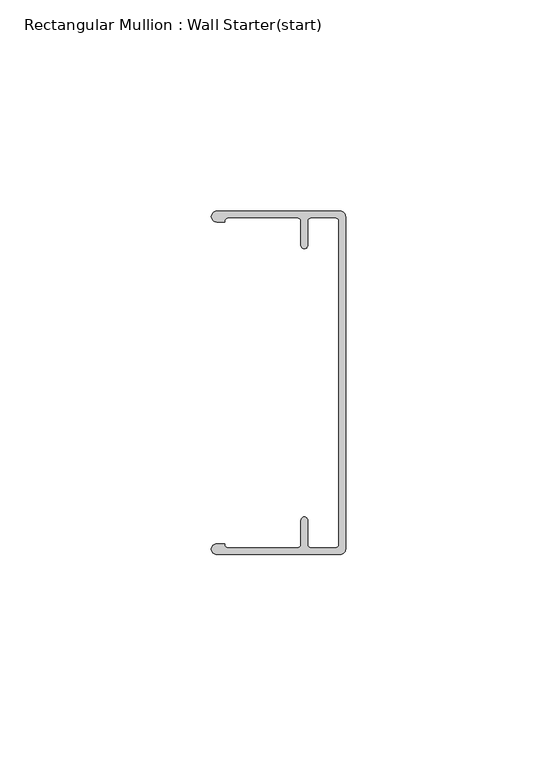
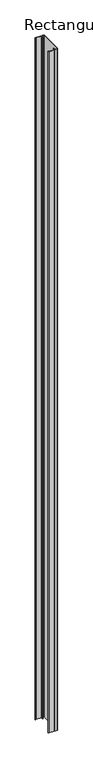
"""IFC4 building model written with IfcOpenShell, lengths in millimetres: member geometry, Rectangular Mullion : Wall Starter(start)."""

from ifc_helpers import new_model, si_unit, point, frame, frame_2d, origin, place, context, project, spatial, polyline, circle_curve, trimmed, segment, composite_curve, outline, extrude, source, transform, mapped, element, save


def rectangular_mullion_wall_starter_start_1313c2d7(model_context):
    return source(origin(), model_context, "Body", "SweptSolid", [
        extrude(outline(composite_curve([segment(trimmed(circle_curve(frame_2d((-1.27, -39.37)), 1.27), [point((0.0, -39.37))], [point((-1.27, -40.64))], False, "CARTESIAN"), True, "CONTINUOUS"), segment(polyline([(-1.27, -40.64), (-30.48, -40.64)]), True, "CONTINUOUS"), segment(trimmed(circle_curve(frame_2d((-30.48, -39.37)), 1.27), [point((-30.48, -40.64))], [point((-30.48, -38.1))], False, "CARTESIAN"), True, "CONTINUOUS"), segment(polyline([(-30.48, -38.1), (-28.575, -38.1)]), True, "CONTINUOUS"), segment(trimmed(circle_curve(frame_2d((-27.7819543, -38.256818)), 0.8084017), [point((-28.575, -38.1))], [point((-27.7876, -39.0652))], True, "CARTESIAN"), True, "CONTINUOUS"), segment(polyline([(-27.7876, -39.0652), (-11.3284, -39.0652)]), True, "CONTINUOUS"), segment(trimmed(circle_curve(frame_2d((-11.3284, -38.2778)), 0.7874), [point((-11.3284, -39.0652))], [point((-10.541, -38.2778))], True, "CARTESIAN"), True, "CONTINUOUS"), segment(polyline([(-10.541, -38.2778), (-10.541, -32.5374)]), True, "CONTINUOUS"), segment(trimmed(circle_curve(frame_2d((-9.7536, -32.5374)), 0.7874), [point((-10.541, -32.5374))], [point((-8.9662, -32.5374))], False, "CARTESIAN"), True, "CONTINUOUS"), segment(polyline([(-8.9662, -32.5374), (-8.9662, -38.2778)]), True, "CONTINUOUS"), segment(trimmed(circle_curve(frame_2d((-8.1788, -38.2778)), 0.7874), [point((-8.9662, -38.2778))], [point((-8.1788, -39.0652))], True, "CARTESIAN"), True, "CONTINUOUS"), segment(polyline([(-8.1788, -39.0652), (-2.3622, -39.0652)]), True, "CONTINUOUS"), segment(trimmed(circle_curve(frame_2d((-2.3622, -38.2778)), 0.7874), [point((-2.3622, -39.0652))], [point((-1.5748, -38.2778))], True, "CARTESIAN"), True, "CONTINUOUS"), segment(polyline([(-1.5748, -38.2778), (-1.5748, 38.2778)]), True, "CONTINUOUS"), segment(trimmed(circle_curve(frame_2d((-2.3622, 38.2778)), 0.7874), [point((-1.5748, 38.2778))], [point((-2.3622, 39.0652))], True, "CARTESIAN"), True, "CONTINUOUS"), segment(polyline([(-2.3622, 39.0652), (-8.1788, 39.0652)]), True, "CONTINUOUS"), segment(trimmed(circle_curve(frame_2d((-8.1788, 38.2778)), 0.7874), [point((-8.1788, 39.0652))], [point((-8.9662, 38.2778))], True, "CARTESIAN"), True, "CONTINUOUS"), segment(polyline([(-8.9662, 38.2778), (-8.9662, 32.5374)]), True, "CONTINUOUS"), segment(trimmed(circle_curve(frame_2d((-9.7536, 32.5374)), 0.7874), [point((-8.9662, 32.5374))], [point((-10.541, 32.5374))], False, "CARTESIAN"), True, "CONTINUOUS"), segment(polyline([(-10.541, 32.5374), (-10.541, 38.2778)]), True, "CONTINUOUS"), segment(trimmed(circle_curve(frame_2d((-11.3284, 38.2778)), 0.7874), [point((-10.541, 38.2778))], [point((-11.3284, 39.0652))], True, "CARTESIAN"), True, "CONTINUOUS"), segment(polyline([(-11.3284, 39.0652), (-27.7876, 39.0652)]), True, "CONTINUOUS"), segment(trimmed(circle_curve(frame_2d((-27.7773547, 38.2530657)), 0.8121989), [point((-27.7876, 39.0652))], [point((-28.575, 38.1))], True, "CARTESIAN"), True, "CONTINUOUS"), segment(polyline([(-28.575, 38.1), (-30.48, 38.1)]), True, "CONTINUOUS"), segment(trimmed(circle_curve(frame_2d((-30.48, 39.37)), 1.27), [point((-30.48, 38.1))], [point((-30.48, 40.64))], False, "CARTESIAN"), True, "CONTINUOUS"), segment(polyline([(-30.48, 40.64), (-1.27, 40.64)]), True, "CONTINUOUS"), segment(trimmed(circle_curve(frame_2d((-1.27, 39.37)), 1.27), [point((-1.27, 40.64))], [point((0.0, 39.37))], False, "CARTESIAN"), True, "CONTINUOUS"), segment(polyline([(0.0, 39.37), (0.0, -39.37)]), True, "CONTINUOUS")], self_intersect=False)), frame((0.0, 0.0, -2438.4), z_axis=(0.0, 0.0, 1.0), x_axis=(1.0, 0.0, 0.0)), (0.0, 0.0, 1.0), 2438.4),
    ])


if __name__ == "__main__":
    model = new_model("IFC4")
    model_context = context("Model", 3, world=origin())
    ifc_project = project(units=[si_unit("LENGTHUNIT", "METRE", prefix="MILLI")], contexts=[model_context])
    site = spatial("IfcSite", under=ifc_project)
    building = spatial("IfcBuilding", under=site)
    placement = place(None, origin())
    rectangular_mullion_wall_starter_start_shape = rectangular_mullion_wall_starter_start_1313c2d7(model_context)
    element("IfcMember", 1, ObjectType="Rectangular Mullion : Wall Starter(start)", at=placement, inside=building, context=model_context, shape_type="MappedRepresentation", body=[
        mapped(rectangular_mullion_wall_starter_start_shape, transform((0.0, 0.0, 0.0), x_axis=(1.0, 0.0, 0.0), y_axis=(0.0, 1.0, 0.0), z_axis=(0.0, 0.0, 1.0))),
    ])
    save(model, "model.ifc")
